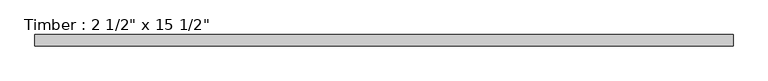
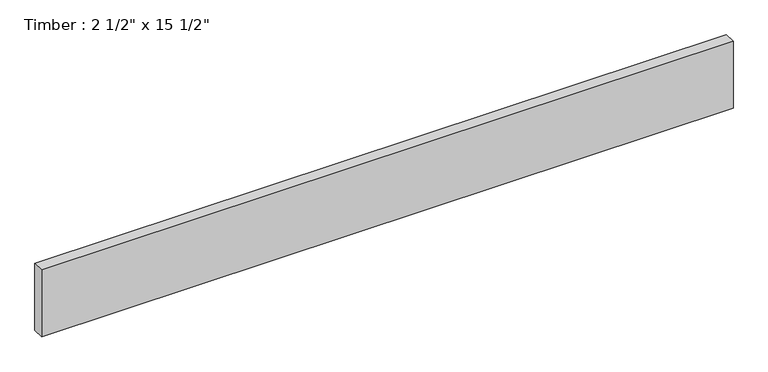
"""IFC4 building model written with IfcOpenShell, lengths in millimetres: beam geometry."""

from ifc_helpers import new_model, si_unit, frame, origin, place, context, project, spatial, polyline, outline, extrude, source, transform, mapped, element, save


def beam_26900461(model_context):
    return source(origin(), model_context, "Body", "SweptSolid", [
        extrude(outline(polyline([(1921.9785271, -31.75), (-1921.9785271, -31.75), (-1921.9785271, 31.75), (1921.9785271, 31.75), (1921.9785271, -31.75)])), frame((0.0, 0.0, -196.85), z_axis=(0.0, 0.0, 1.0), x_axis=(1.0, 0.0, 0.0)), (0.0, 0.0, 1.0), 393.7),
    ])


if __name__ == "__main__":
    model = new_model("IFC4")
    model_context = context("Model", 3, world=origin())
    ifc_project = project(units=[si_unit("LENGTHUNIT", "METRE", prefix="MILLI")], contexts=[model_context])
    site = spatial("IfcSite", under=ifc_project)
    building = spatial("IfcBuilding", under=site)
    placement = place(None, origin())
    beam_shape = beam_26900461(model_context)
    element("IfcBeam", 1, ObjectType="Timber : 2 1/2\" x 15 1/2\"", at=placement, inside=building, context=model_context, shape_type="MappedRepresentation", body=[
        mapped(beam_shape, transform((0.0, 0.0, 0.0), x_axis=(1.0, 0.0, 0.0), y_axis=(0.0, 1.0, 0.0), z_axis=(0.0, 0.0, 1.0))),
    ])
    save(model, "model.ifc")
